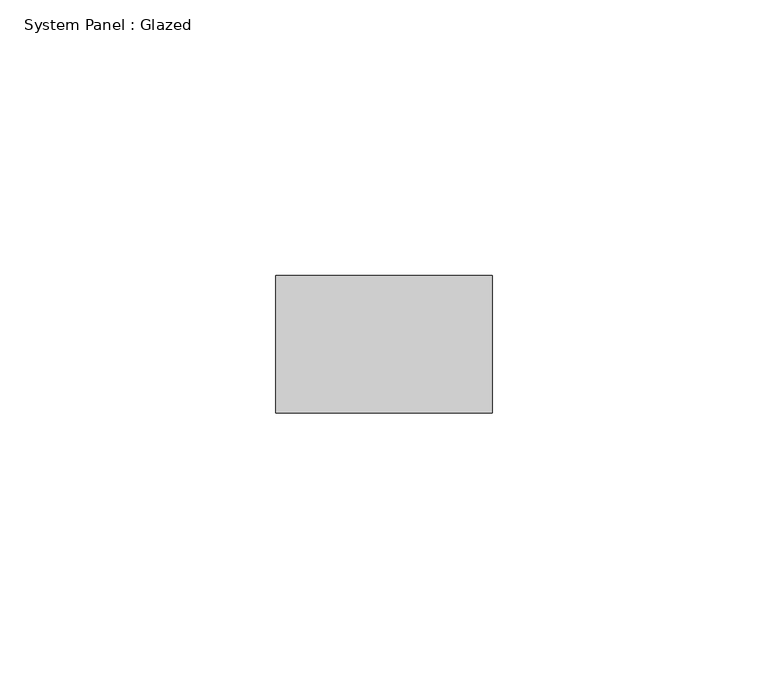
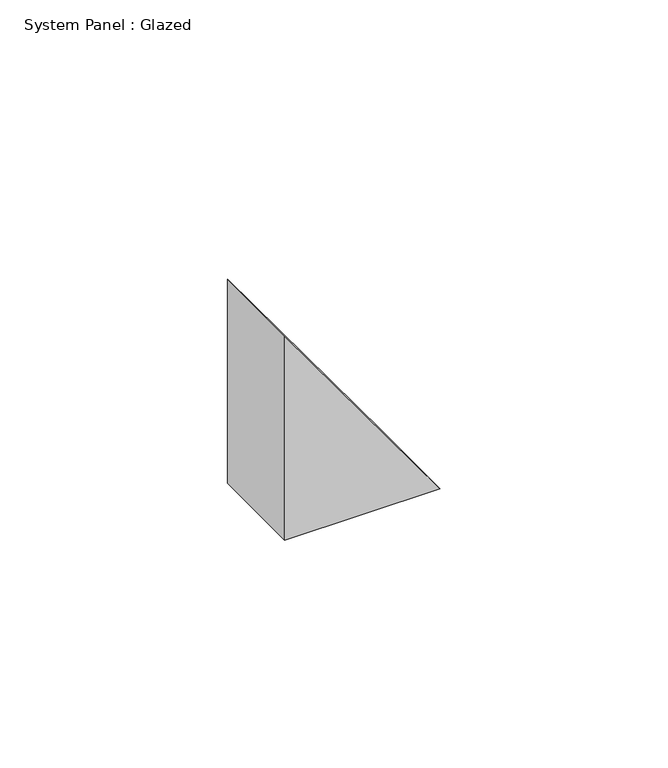
"""IFC4 building model written with IfcOpenShell, lengths in millimetres: plate geometry, System Panel : Glazed."""

from ifc_helpers import new_model, si_unit, point, frame, frame_2d, origin, place, context, project, spatial, polyline, circle_curve, trimmed, segment, composite_curve, outline, extrude, source, transform, mapped, element, save


def system_panel_glazed_b3a99a3d(model_context):
    return source(origin(), model_context, "Body", "SweptSolid", [
        extrude(outline(composite_curve([segment(polyline([(0.0, -19.6616678), (0.0, 19.6616678)]), True, "CONTINUOUS"), segment(trimmed(circle_curve(frame_2d((6297.9418448, 8707.3236728)), 10730.3095293), [point((0.0, 19.6616678))], [point((54.6038388, -19.6616678))], True, "CARTESIAN"), True, "CONTINUOUS"), segment(polyline([(54.6038388, -19.6616678), (0.0, -19.6616678)]), True, "CONTINUOUS")], self_intersect=False)), frame((0.0, 24.5, 0.0), z_axis=(0.0, 1.0, 0.0), x_axis=(0.0, 0.0, 1.0)), (0.0, 0.0, 1.0), 25.0),
    ])


if __name__ == "__main__":
    model = new_model("IFC4")
    model_context = context("Model", 3, world=origin())
    ifc_project = project(units=[si_unit("LENGTHUNIT", "METRE", prefix="MILLI")], contexts=[model_context])
    site = spatial("IfcSite", under=ifc_project)
    building = spatial("IfcBuilding", under=site)
    placement = place(None, origin())
    system_panel_glazed_shape = system_panel_glazed_b3a99a3d(model_context)
    element("IfcPlate", 1, ObjectType="System Panel : Glazed", at=placement, inside=building, context=model_context, shape_type="MappedRepresentation", body=[
        mapped(system_panel_glazed_shape, transform((0.0, 0.0, 0.0), x_axis=(1.0, 0.0, 0.0), y_axis=(0.0, 1.0, 0.0), z_axis=(0.0, 0.0, 1.0))),
    ])
    save(model, "model.ifc")
